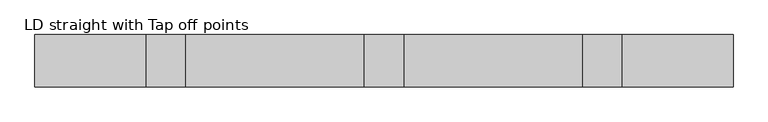
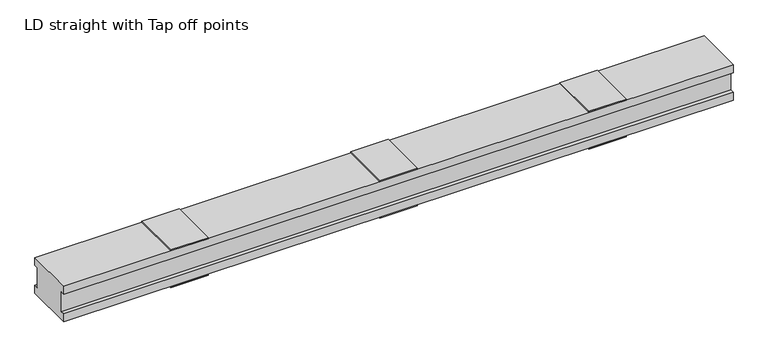
"""IFC4 building model written with IfcOpenShell, lengths in millimetres: proxy geometry, LD straight with Tap off points."""

from ifc_helpers import new_model, si_unit, frame, origin, place, context, project, spatial, polyline, outline, extrude, source, transform, mapped, element, save


def ld_straight_with_tap_off_points_6949b8ec(model_context):
    return source(origin(), model_context, "Body", "SweptSolid", [
        extrude(outline(polyline([(2690.0, 240.0), (2690.0, 0.0), (2510.0, 0.0), (2510.0, 240.0), (2690.0, 240.0)])), frame((0.0, 0.0, -5.0), z_axis=(0.0, 0.0, 1.0), x_axis=(1.0, 0.0, 0.0)), (0.0, 0.0, 1.0), 5.0),
        extrude(outline(polyline([(2690.0, 240.0), (2690.0, 0.0), (2510.0, 0.0), (2510.0, 240.0), (2690.0, 240.0)])), frame((0.0, 0.0, 180.0), z_axis=(0.0, 0.0, 1.0), x_axis=(1.0, 0.0, 0.0)), (0.0, 0.0, 1.0), 5.0),
        extrude(outline(polyline([(1690.0, 240.0), (1690.0, 0.0), (1510.0, 0.0), (1510.0, 240.0), (1690.0, 240.0)])), frame((0.0, 0.0, -5.0), z_axis=(0.0, 0.0, 1.0), x_axis=(1.0, 0.0, 0.0)), (0.0, 0.0, 1.0), 5.0),
        extrude(outline(polyline([(1690.0, 240.0), (1690.0, 0.0), (1510.0, 0.0), (1510.0, 240.0), (1690.0, 240.0)])), frame((0.0, 0.0, 180.0), z_axis=(0.0, 0.0, 1.0), x_axis=(1.0, 0.0, 0.0)), (0.0, 0.0, 1.0), 5.0),
        extrude(outline(polyline([(690.0, 240.0), (690.0, 0.0), (510.0, 0.0), (510.0, 240.0), (690.0, 240.0)])), frame((0.0, 0.0, -5.0), z_axis=(0.0, 0.0, 1.0), x_axis=(1.0, 0.0, 0.0)), (0.0, 0.0, 1.0), 5.0),
        extrude(outline(polyline([(690.0, 240.0), (690.0, 0.0), (510.0, 0.0), (510.0, 240.0), (690.0, 240.0)])), frame((0.0, 0.0, 180.0), z_axis=(0.0, 0.0, 1.0), x_axis=(1.0, 0.0, 0.0)), (0.0, 0.0, 1.0), 5.0),
        extrude(outline(polyline([(240.0, 180.0), (240.0, 140.0), (220.0, 140.0), (220.0, 40.0), (240.0, 40.0), (240.0, 0.0), (0.0, 0.0), (0.0, 40.0), (20.0, 40.0), (20.0, 140.0), (0.0, 140.0), (0.0, 180.0), (240.0, 180.0)])), frame((0.0, 0.0, 0.0), z_axis=(1.0, 0.0, 0.0), x_axis=(0.0, 1.0, 0.0)), (0.0, 0.0, 1.0), 3200.0),
    ])


if __name__ == "__main__":
    model = new_model("IFC4")
    model_context = context("Model", 3, world=origin())
    ifc_project = project(units=[si_unit("LENGTHUNIT", "METRE", prefix="MILLI")], contexts=[model_context])
    site = spatial("IfcSite", under=ifc_project)
    building = spatial("IfcBuilding", under=site)
    placement = place(None, origin())
    ld_straight_with_tap_off_points_shape = ld_straight_with_tap_off_points_6949b8ec(model_context)
    element("IfcBuildingElementProxy", 1, Name="LD straight with Tap off points", ObjectType="LD straight with Tap off points", at=placement, inside=building, context=model_context, shape_type="MappedRepresentation", body=[
        mapped(ld_straight_with_tap_off_points_shape, transform((0.0, 0.0, 0.0), x_axis=(1.0, 0.0, 0.0), y_axis=(0.0, 1.0, 0.0), z_axis=(0.0, 0.0, 1.0))),
    ])
    save(model, "model.ifc")
